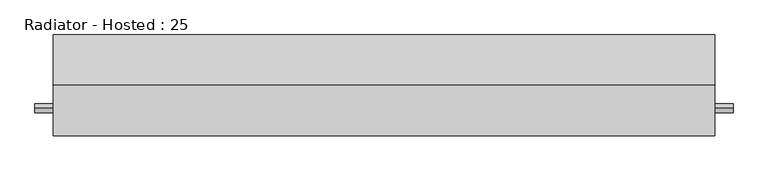
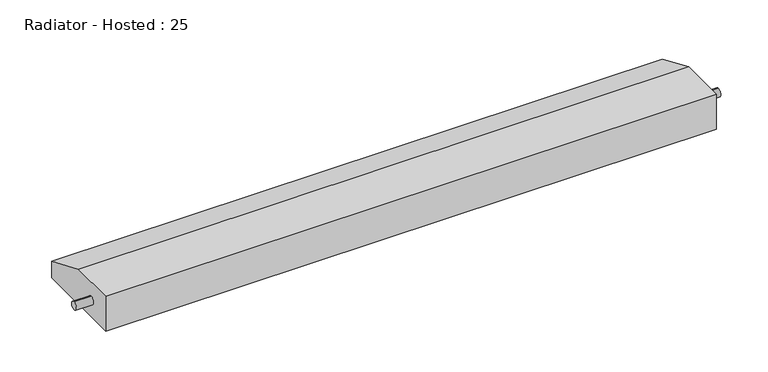
"""IFC4 building model written with IfcOpenShell, lengths in millimetres: proxy geometry, Radiator - Hosted : 25."""

from ifc_helpers import new_model, si_unit, frame, origin, place, context, project, spatial, circle_curve, source, transform, mapped, element, save
from ifc_brep_helpers import plane_surface, cylinder_surface, advanced_brep


def radiator_hosted_25_cef74b3c(model_context):
    return source(origin(), model_context, "Body", "AdvancedBrep", [
        advanced_brep(
        [(914.4, 279.4, 0.0), (914.4, 279.4, 52.3875), (914.4, 141.2875, 111.125), (914.4, 0.0, 111.125), (914.4, 0.0, 0.0), (914.4, 76.2, 39.8875), (914.4, 76.2, 64.8875), (-914.4, 279.4, 0.0), (-914.4, 0.0, 0.0), (-914.4, 0.0, 111.125), (-914.4, 141.2875, 111.125), (-914.4, 279.4, 52.3875), (-914.4, 76.2, 64.8875), (-914.4, 76.2, 39.8875), (-965.2, 76.2, 39.8875), (-965.2, 76.2, 64.8875), (965.2, 76.2, 39.8875), (965.2, 76.2, 64.8875)],
        [
            (0, 1),
            (1, 2),
            (2, 3),
            (3, 4),
            (4, 0),
            (5, 6, circle_curve(frame((914.4, 76.2, 52.3875), z_axis=(-1.0, 0.0, 0.0), x_axis=(0.0, 0.0, 1.0)), 12.5)),
            (6, 5, circle_curve(frame((914.4, 76.2, 52.3875), z_axis=(-1.0, 0.0, 0.0), x_axis=(0.0, 0.0, 1.0)), 12.5)),
            (7, 8),
            (8, 9),
            (9, 10),
            (10, 11),
            (11, 7),
            (12, 13, circle_curve(frame((-914.4, 76.2, 52.3875), z_axis=(1.0, 0.0, 0.0), x_axis=(0.0, 0.0, 1.0)), 12.5)),
            (13, 12, circle_curve(frame((-914.4, 76.2, 52.3875), z_axis=(1.0, 0.0, 0.0), x_axis=(0.0, 0.0, 1.0)), 12.5)),
            (0, 7),
            (11, 1),
            (10, 2),
            (9, 3),
            (8, 4),
            (14, 15, circle_curve(frame((-965.2, 76.2, 52.3875), z_axis=(-1.0, 0.0, 0.0), x_axis=(0.0, 0.0, 1.0)), 12.5)),
            (15, 14, circle_curve(frame((-965.2, 76.2, 52.3875), z_axis=(-1.0, 0.0, 0.0), x_axis=(0.0, 0.0, 1.0)), 12.5)),
            (16, 17, circle_curve(frame((965.2, 76.2, 52.3875), z_axis=(1.0, 0.0, 0.0), x_axis=(0.0, 0.0, 1.0)), 12.5)),
            (17, 16, circle_curve(frame((965.2, 76.2, 52.3875), z_axis=(1.0, 0.0, 0.0), x_axis=(0.0, 0.0, 1.0)), 12.5)),
            (14, 13),
            (12, 15),
            (17, 6),
            (5, 16),
        ],
        [
            plane_surface(frame((914.4, 279.4, 0.0), z_axis=(1.0, 0.0, 0.0), x_axis=(0.0, 0.0, 1.0))),
            plane_surface(frame((-914.4, 279.4, 0.0), z_axis=(-1.0, 0.0, 0.0), x_axis=(0.0, 0.0, -1.0))),
            plane_surface(frame((914.4, 279.4, 0.0), z_axis=(0.0, 1.0, 0.0), x_axis=(-1.0, 0.0, 0.0))),
            plane_surface(frame((914.4, 279.4, 52.3875), z_axis=(0.0, 0.3913646080488281, 0.9202357000066815), x_axis=(-1.0, 0.0, 0.0))),
            plane_surface(frame((914.4, 141.2875, 111.125), z_axis=(0.0, 0.0, 1.0), x_axis=(-1.0, 0.0, 0.0))),
            plane_surface(frame((914.4, 0.0, 111.125), z_axis=(0.0, -1.0, 0.0), x_axis=(-1.0, 0.0, 0.0))),
            plane_surface(frame((914.4, 0.0, 0.0), z_axis=(0.0, 0.0, -1.0), x_axis=(-1.0, 0.0, 0.0))),
            plane_surface(frame((-965.2, 76.2, 64.8875), z_axis=(-1.0, 0.0, 0.0), x_axis=(0.0, 1.0, 0.0))),
            plane_surface(frame((965.2, 76.2, 64.8875), z_axis=(1.0, 0.0, 0.0), x_axis=(0.0, -1.0, 0.0))),
            cylinder_surface(frame((965.2, 76.2, 52.3875), z_axis=(-1.0, 0.0, 0.0), x_axis=(0.0, 0.0, 1.0)), 12.5),
        ],
        [
            (0, [[1, 2, 3, 4, 5], [6, 7]]),
            (1, [[8, 9, 10, 11, 12], [13, 14]]),
            (2, [[-1, 15, -12, 16]]),
            (3, [[-2, -16, -11, 17]]),
            (4, [[-3, -17, -10, 18]]),
            (5, [[-4, -18, -9, 19]]),
            (6, [[-5, -19, -8, -15]]),
            (7, [[20, 21]]),
            (8, [[22, 23]]),
            (9, [[-20, 24, -13, 25]]),
            (9, [[-23, 26, -6, 27]]),
            (9, [[-21, -25, -14, -24]]),
            (9, [[-22, -27, -7, -26]]),
        ],
    ),
    ])


if __name__ == "__main__":
    model = new_model("IFC4")
    model_context = context("Model", 3, world=origin())
    ifc_project = project(units=[si_unit("LENGTHUNIT", "METRE", prefix="MILLI")], contexts=[model_context])
    site = spatial("IfcSite", under=ifc_project)
    building = spatial("IfcBuilding", under=site)
    placement = place(None, origin())
    radiator_hosted_25_shape = radiator_hosted_25_cef74b3c(model_context)
    element("IfcBuildingElementProxy", 1, Name="Radiator - Hosted : 25", ObjectType="Radiator - Hosted : 25", at=placement, inside=building, context=model_context, shape_type="MappedRepresentation", body=[
        mapped(radiator_hosted_25_shape, transform((0.0, 0.0, 0.0), x_axis=(1.0, 0.0, 0.0), y_axis=(0.0, 1.0, 0.0), z_axis=(0.0, 0.0, 1.0))),
    ])
    save(model, "model.ifc")
